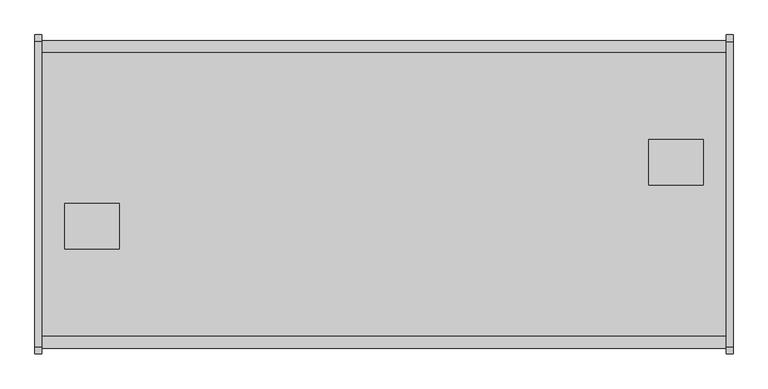
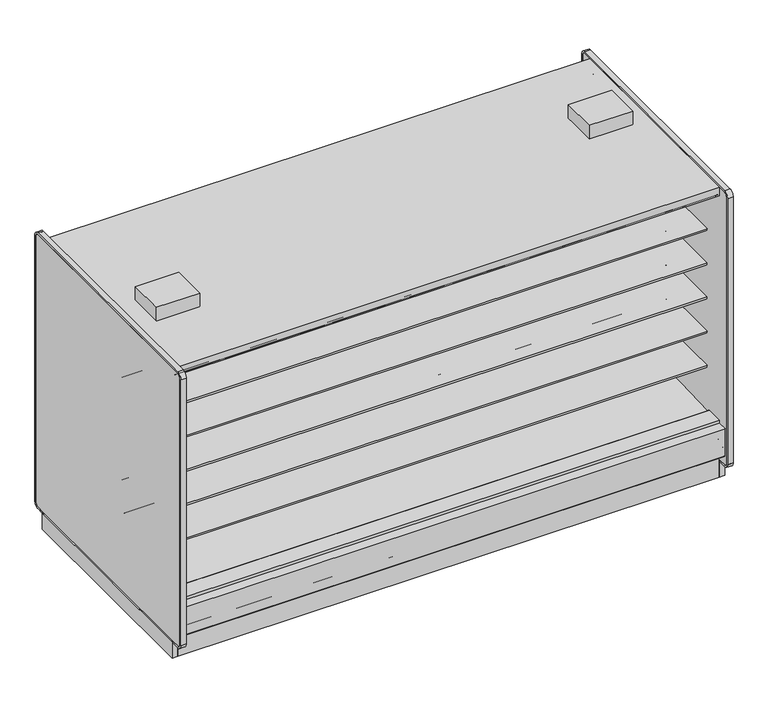
"""IFC4 building model written with IfcOpenShell, lengths in millimetres: proxy geometry."""

from ifc_helpers import new_model, si_unit, point, frame, frame_2d, origin, origin_with_axes, place, context, project, spatial, polyline, circle_curve, trimmed, segment, composite_curve, outline, extrude, faceted_brep, source, transform, mapped, element, save
from ifc_brep_helpers import plane_surface, revolved_surface, advanced_brep


def mechanical_equipment_86ca2763(model_context):
    return source(origin(), model_context, "Body", "SolidModel", [
        extrude(outline(polyline([(0.0, -76.1999999), (0.0, 0.0), (3810.0, 0.0), (3810.0, -76.1999999), (0.0, -76.1999999)])), frame((3810.0, -1111.3633008, 2065.3671599), z_axis=(0.0, 0.08686991344751496, 0.9962196635971514), x_axis=(-1.0, 0.0, 0.0)), (0.0, 0.0, 1.0), 13.3555803),
        extrude(outline(polyline([(0.0, -76.2), (0.0, 0.0), (3810.0, 0.0), (3810.0, -76.2), (0.0, -76.2)])), frame((3810.0, 288.8472236, 2059.4611282), z_axis=(0.0, -0.086869913447515, 0.9962196635971514), x_axis=(-1.0, 0.0, 0.0)), (0.0, 0.0, 1.0), 13.3555803),
        extrude(outline(polyline([(-38.1, -1158.0606273), (-38.1, 424.3593727), (0.0, 424.3593727), (0.0, -1158.0606273), (-38.1, -1158.0606273)])), origin_with_axes(), (0.0, 0.0, 1.0), 117.8306),
        extrude(outline(composite_curve([segment(polyline([(-292.5492106, 428.2688536), (291.885082, 406.4402197), (291.885082, 424.9364317)]), True, "CONTINUOUS"), segment(trimmed(circle_curve(frame_2d((293.942482, 424.9364317)), 2.0574), [point((291.885082, 424.9364317))], [point((293.942482, 426.9938317))], False, "CARTESIAN"), True, "CONTINUOUS"), segment(polyline([(293.942482, 426.9938317), (416.0514424, 426.9938317), (416.0514424, 284.5082843), (302.7767261, 189.4595117), (287.2311894, 190.0023738), (241.8789947, 157.1934642), (177.3766842, 159.4459345), (137.2934582, 192.9404113), (-344.0537782, 221.8688632), (-344.0537782, 428.2688536), (-292.5492106, 428.2688536)]), True, "CONTINUOUS")], self_intersect=False)), frame((0.0, 0.0, 0.0), z_axis=(1.0, 0.0, 0.0), x_axis=(0.0, 1.0, 0.0)), (0.0, 0.0, 1.0), 3810.0),
        extrude(outline(polyline([(392.5474807, -0.0519335), (392.5474807, 194.123201), (411.5974807, 210.1080489), (411.5974807, -0.0519335), (392.5474807, -0.0519335)])), frame((0.0, 0.0, 0.0), z_axis=(1.0, 0.0, 0.0), x_axis=(0.0, 1.0, 0.0)), (0.0, 0.0, 1.0), 3810.0),
        extrude(outline(polyline([(-1139.0106273, 0.0), (-1158.0606273, 0.0), (-1158.0606273, 210.1599825), (-1139.0106273, 194.1751345), (-1139.0106273, 0.0)])), frame((0.0, 0.0, 0.0), z_axis=(1.0, 0.0, 0.0), x_axis=(0.0, 1.0, 0.0)), (0.0, 0.0, 1.0), 3810.0),
        extrude(outline(polyline([(431.8, -424.0006273), (431.8, -678.0006273), (127.0, -678.0006273), (127.0, -424.0006273), (431.8, -424.0006273)])), frame((0.0, 0.0, 2159.2248848), z_axis=(0.0, 0.0, 1.0), x_axis=(1.0, 0.0, 0.0)), (0.0, 0.0, 1.0), 101.6),
        extrude(outline(polyline([(3378.2, -322.4006273), (3378.2, -68.4006273), (3683.0, -68.4006273), (3683.0, -322.4006273), (3378.2, -322.4006273)])), frame((0.0, 0.0, 2159.2248848), z_axis=(0.0, 0.0, 1.0), x_axis=(1.0, 0.0, 0.0)), (0.0, 0.0, 1.0), 101.6),
        extrude(outline(polyline([(3848.1, 424.3593727), (3848.1, -1158.0606273), (3810.0, -1158.0606273), (3810.0, 424.3593727), (3848.1, 424.3593727)])), origin_with_axes(), (0.0, 0.0, 1.0), 117.8306),
        extrude(outline(composite_curve([segment(polyline([(-292.5492106, 1659.986997), (-292.5492106, 1760.7972725), (266.2507894, 1760.7972725), (266.2507894, 1747.3035225), (145.7947875, 1747.3035225), (145.7947875, 1743.0191961), (-193.6128858, 1710.408706)]), True, "CONTINUOUS"), segment(trimmed(circle_curve(frame_2d((-186.7598764, 1647.2795822)), 63.5), [point((-193.6128858, 1710.408706))], [point((-226.8243495, 1696.545067))], True, "CARTESIAN"), True, "CONTINUOUS"), segment(polyline([(-226.8243495, 1696.545067), (-265.0460501, 1665.4617985)]), True, "CONTINUOUS"), segment(trimmed(circle_curve(frame_2d((-280.9533727, 1684.8267077)), 25.0607786), [point((-265.0460501, 1665.4617985))], [point((-281.4413184, 1659.7706798))], False, "CARTESIAN"), True, "CONTINUOUS"), segment(polyline([(-281.4413184, 1659.7706798), (-292.5492106, 1659.986997)]), True, "CONTINUOUS")], self_intersect=False)), frame((0.0, 0.0, 0.0), z_axis=(1.0, 0.0, 0.0), x_axis=(0.0, 1.0, 0.0)), (0.0, 0.0, 1.0), 3810.0),
        extrude(outline(composite_curve([segment(polyline([(-292.5492106, 643.986997), (-292.5492106, 744.7972725), (266.2507894, 744.7972725), (266.2507894, 731.3035225), (145.7947875, 731.3035225), (145.7947875, 727.0191961), (-193.6128858, 694.408706)]), True, "CONTINUOUS"), segment(trimmed(circle_curve(frame_2d((-186.7598764, 631.2795822)), 63.5), [point((-193.6128858, 694.408706))], [point((-226.8243495, 680.545067))], True, "CARTESIAN"), True, "CONTINUOUS"), segment(polyline([(-226.8243495, 680.545067), (-265.0460501, 649.4617985)]), True, "CONTINUOUS"), segment(trimmed(circle_curve(frame_2d((-280.9533727, 668.8267077)), 25.0607786), [point((-265.0460501, 649.4617985))], [point((-281.4413184, 643.7706798))], False, "CARTESIAN"), True, "CONTINUOUS"), segment(polyline([(-281.4413184, 643.7706798), (-292.5492106, 643.986997)]), True, "CONTINUOUS")], self_intersect=False)), frame((0.0, 0.0, 0.0), z_axis=(1.0, 0.0, 0.0), x_axis=(0.0, 1.0, 0.0)), (0.0, 0.0, 1.0), 3810.0),
        extrude(outline(composite_curve([segment(polyline([(-292.5492106, 897.986997), (-292.5492106, 998.7972725), (266.2507894, 998.7972725), (266.2507894, 985.3035225), (145.7947875, 985.3035225), (145.7947875, 981.0191961), (-193.6128858, 948.408706)]), True, "CONTINUOUS"), segment(trimmed(circle_curve(frame_2d((-186.7598764, 885.2795822)), 63.5), [point((-193.6128858, 948.408706))], [point((-226.8243495, 934.545067))], True, "CARTESIAN"), True, "CONTINUOUS"), segment(polyline([(-226.8243495, 934.545067), (-265.0460501, 903.4617985)]), True, "CONTINUOUS"), segment(trimmed(circle_curve(frame_2d((-280.9533727, 922.8267077)), 25.0607786), [point((-265.0460501, 903.4617985))], [point((-281.4413184, 897.7706798))], False, "CARTESIAN"), True, "CONTINUOUS"), segment(polyline([(-281.4413184, 897.7706798), (-292.5492106, 897.986997)]), True, "CONTINUOUS")], self_intersect=False)), frame((0.0, 0.0, 0.0), z_axis=(1.0, 0.0, 0.0), x_axis=(0.0, 1.0, 0.0)), (0.0, 0.0, 1.0), 3810.0),
        extrude(outline(composite_curve([segment(polyline([(-292.5492106, 1151.986997), (-292.5492106, 1252.7972725), (266.2507894, 1252.7972725), (266.2507894, 1239.3035225), (145.7947875, 1239.3035225), (145.7947875, 1235.0191961), (-193.6128858, 1202.408706)]), True, "CONTINUOUS"), segment(trimmed(circle_curve(frame_2d((-186.7598764, 1139.2795822)), 63.5), [point((-193.6128858, 1202.408706))], [point((-226.8243495, 1188.545067))], True, "CARTESIAN"), True, "CONTINUOUS"), segment(polyline([(-226.8243495, 1188.545067), (-265.0460501, 1157.4617985)]), True, "CONTINUOUS"), segment(trimmed(circle_curve(frame_2d((-280.9533727, 1176.8267077)), 25.0607786), [point((-265.0460501, 1157.4617985))], [point((-281.4413184, 1151.7706798))], False, "CARTESIAN"), True, "CONTINUOUS"), segment(polyline([(-281.4413184, 1151.7706798), (-292.5492106, 1151.986997)]), True, "CONTINUOUS")], self_intersect=False)), frame((0.0, 0.0, 0.0), z_axis=(1.0, 0.0, 0.0), x_axis=(0.0, 1.0, 0.0)), (0.0, 0.0, 1.0), 3810.0),
        extrude(outline(composite_curve([segment(polyline([(-292.5492106, 1405.986997), (-292.5492106, 1506.7972725), (266.2507894, 1506.7972725), (266.2507894, 1493.3035225), (145.7947875, 1493.3035225), (145.7947875, 1489.0191961), (-193.6128858, 1456.408706)]), True, "CONTINUOUS"), segment(trimmed(circle_curve(frame_2d((-186.7598764, 1393.2795822)), 63.5), [point((-193.6128858, 1456.408706))], [point((-226.8243495, 1442.545067))], True, "CARTESIAN"), True, "CONTINUOUS"), segment(polyline([(-226.8243495, 1442.545067), (-265.0460501, 1411.4617985)]), True, "CONTINUOUS"), segment(trimmed(circle_curve(frame_2d((-280.9533727, 1430.8267077)), 25.0607786), [point((-265.0460501, 1411.4617985))], [point((-281.4413184, 1405.7706798))], False, "CARTESIAN"), True, "CONTINUOUS"), segment(polyline([(-281.4413184, 1405.7706798), (-292.5492106, 1405.986997)]), True, "CONTINUOUS")], self_intersect=False)), frame((0.0, 0.0, 0.0), z_axis=(1.0, 0.0, 0.0), x_axis=(0.0, 1.0, 0.0)), (0.0, 0.0, 1.0), 3810.0),
        extrude(outline(composite_curve([segment(polyline([(-94.7483469, 2070.6501297), (-292.5492106, 2070.6501297), (-292.5492106, 428.2688536), (-344.0537782, 428.2688536), (-344.0537782, 2096.4201079), (398.3751091, 2096.4201079), (398.3751091, 2092.4645258)]), True, "CONTINUOUS"), segment(trimmed(circle_curve(frame_2d((395.8351091, 2092.4645258)), 2.54), [point((398.3751091, 2092.4645258))], [point((395.8351091, 2089.9245258))], False, "CARTESIAN"), True, "CONTINUOUS"), segment(polyline([(395.8351091, 2089.9245258), (381.1085354, 2089.9245258)]), True, "CONTINUOUS"), segment(trimmed(circle_curve(frame_2d((381.1085354, 2087.3845258)), 2.54), [point((381.1085354, 2089.9245258))], [point((378.5685354, 2087.3845258))], True, "CARTESIAN"), True, "CONTINUOUS"), segment(polyline([(378.5685354, 2087.3845258), (378.5685354, 2074.4415989)]), True, "CONTINUOUS"), segment(trimmed(circle_curve(frame_2d((376.0285354, 2074.4415989)), 2.54), [point((378.5685354, 2074.4415989))], [point((376.0285354, 2071.9015989))], False, "CARTESIAN"), True, "CONTINUOUS"), segment(polyline([(376.0285354, 2071.9015989), (367.3424655, 2071.9015989)]), True, "CONTINUOUS"), segment(trimmed(circle_curve(frame_2d((367.3424655, 2074.4415989)), 2.54), [point((367.3424655, 2071.9015989))], [point((364.8024655, 2074.4415989))], False, "CARTESIAN"), True, "CONTINUOUS"), segment(polyline([(364.8024655, 2074.4415989), (364.8024655, 2080.1715419), (286.911575, 2073.3794907), (286.9575805, 2070.6501297), (-94.7483469, 2070.6501297)]), True, "CONTINUOUS")], self_intersect=False)), frame((0.0, 0.0, 0.0), z_axis=(1.0, 0.0, 0.0), x_axis=(0.0, 1.0, 0.0)), (0.0, 0.0, 1.0), 3810.0),
        extrude(outline(composite_curve([segment(polyline([(-453.852044, 1659.1586039), (-464.9599362, 1658.9422868)]), True, "CONTINUOUS"), segment(trimmed(circle_curve(frame_2d((-465.4478819, 1683.9983146)), 25.0607786), [point((-464.9599362, 1658.9422868))], [point((-481.3552045, 1664.6334054))], False, "CARTESIAN"), True, "CONTINUOUS"), segment(polyline([(-481.3552045, 1664.6334054), (-519.5769051, 1695.716674)]), True, "CONTINUOUS"), segment(trimmed(circle_curve(frame_2d((-559.6413782, 1646.4511892)), 63.5), [point((-519.5769051, 1695.716674))], [point((-552.7883688, 1709.5803129))], True, "CARTESIAN"), True, "CONTINUOUS"), segment(polyline([(-552.7883688, 1709.5803129), (-892.1960421, 1742.190803), (-892.1960421, 1746.4751294), (-1012.652044, 1746.4751294), (-1012.652044, 1759.9688794), (-453.852044, 1759.9688794), (-453.852044, 1659.1586039)]), True, "CONTINUOUS")], self_intersect=False)), frame((0.0, 0.0, 0.0), z_axis=(1.0, 0.0, 0.0), x_axis=(0.0, 1.0, 0.0)), (0.0, 0.0, 1.0), 3810.0),
        extrude(outline(composite_curve([segment(polyline([(-453.852044, 643.1586039), (-464.9599362, 642.9422868)]), True, "CONTINUOUS"), segment(trimmed(circle_curve(frame_2d((-465.4478819, 667.9983146)), 25.0607786), [point((-464.9599362, 642.9422868))], [point((-481.3552045, 648.6334054))], False, "CARTESIAN"), True, "CONTINUOUS"), segment(polyline([(-481.3552045, 648.6334054), (-519.5769051, 679.716674)]), True, "CONTINUOUS"), segment(trimmed(circle_curve(frame_2d((-559.6413782, 630.4511892)), 63.5), [point((-519.5769051, 679.716674))], [point((-552.7883688, 693.5803129))], True, "CARTESIAN"), True, "CONTINUOUS"), segment(polyline([(-552.7883688, 693.5803129), (-892.1960421, 726.190803), (-892.1960421, 730.4751294), (-1012.652044, 730.4751294), (-1012.652044, 743.9688794), (-453.852044, 743.9688794), (-453.852044, 643.1586039)]), True, "CONTINUOUS")], self_intersect=False)), frame((0.0, 0.0, 0.0), z_axis=(1.0, 0.0, 0.0), x_axis=(0.0, 1.0, 0.0)), (0.0, 0.0, 1.0), 3810.0),
        extrude(outline(composite_curve([segment(polyline([(-453.852044, 897.1586039), (-464.9599362, 896.9422868)]), True, "CONTINUOUS"), segment(trimmed(circle_curve(frame_2d((-465.4478819, 921.9983146)), 25.0607786), [point((-464.9599362, 896.9422868))], [point((-481.3552045, 902.6334054))], False, "CARTESIAN"), True, "CONTINUOUS"), segment(polyline([(-481.3552045, 902.6334054), (-519.5769051, 933.716674)]), True, "CONTINUOUS"), segment(trimmed(circle_curve(frame_2d((-559.6413782, 884.4511892)), 63.5), [point((-519.5769051, 933.716674))], [point((-552.7883688, 947.5803129))], True, "CARTESIAN"), True, "CONTINUOUS"), segment(polyline([(-552.7883688, 947.5803129), (-892.1960421, 980.190803), (-892.1960421, 984.4751294), (-1012.652044, 984.4751294), (-1012.652044, 997.9688794), (-453.852044, 997.9688794), (-453.852044, 897.1586039)]), True, "CONTINUOUS")], self_intersect=False)), frame((0.0, 0.0, 0.0), z_axis=(1.0, 0.0, 0.0), x_axis=(0.0, 1.0, 0.0)), (0.0, 0.0, 1.0), 3810.0),
        extrude(outline(composite_curve([segment(polyline([(-453.852044, 1151.1586039), (-464.9599362, 1150.9422868)]), True, "CONTINUOUS"), segment(trimmed(circle_curve(frame_2d((-465.4478819, 1175.9983146)), 25.0607786), [point((-464.9599362, 1150.9422868))], [point((-481.3552045, 1156.6334054))], False, "CARTESIAN"), True, "CONTINUOUS"), segment(polyline([(-481.3552045, 1156.6334054), (-519.5769051, 1187.716674)]), True, "CONTINUOUS"), segment(trimmed(circle_curve(frame_2d((-559.6413782, 1138.4511892)), 63.5), [point((-519.5769051, 1187.716674))], [point((-552.7883688, 1201.5803129))], True, "CARTESIAN"), True, "CONTINUOUS"), segment(polyline([(-552.7883688, 1201.5803129), (-892.1960421, 1234.190803), (-892.1960421, 1238.4751294), (-1012.652044, 1238.4751294), (-1012.652044, 1251.9688794), (-453.852044, 1251.9688794), (-453.852044, 1151.1586039)]), True, "CONTINUOUS")], self_intersect=False)), frame((0.0, 0.0, 0.0), z_axis=(1.0, 0.0, 0.0), x_axis=(0.0, 1.0, 0.0)), (0.0, 0.0, 1.0), 3810.0),
        extrude(outline(composite_curve([segment(polyline([(-453.852044, 1405.1586039), (-464.9599362, 1404.9422868)]), True, "CONTINUOUS"), segment(trimmed(circle_curve(frame_2d((-465.4478819, 1429.9983146)), 25.0607786), [point((-464.9599362, 1404.9422868))], [point((-481.3552045, 1410.6334054))], False, "CARTESIAN"), True, "CONTINUOUS"), segment(polyline([(-481.3552045, 1410.6334054), (-519.5769051, 1441.716674)]), True, "CONTINUOUS"), segment(trimmed(circle_curve(frame_2d((-559.6413782, 1392.4511892)), 63.5), [point((-519.5769051, 1441.716674))], [point((-552.7883688, 1455.5803129))], True, "CARTESIAN"), True, "CONTINUOUS"), segment(polyline([(-552.7883688, 1455.5803129), (-892.1960421, 1488.190803), (-892.1960421, 1492.4751294), (-1012.652044, 1492.4751294), (-1012.652044, 1505.9688794), (-453.852044, 1505.9688794), (-453.852044, 1405.1586039)]), True, "CONTINUOUS")], self_intersect=False)), frame((0.0, 0.0, 0.0), z_axis=(1.0, 0.0, 0.0), x_axis=(0.0, 1.0, 0.0)), (0.0, 0.0, 1.0), 3810.0),
        extrude(outline(composite_curve([segment(trimmed(circle_curve(frame_2d((-1224.1006273, 201.3982889)), 6.35), [point((-1220.9264382, 195.8985595))], [point((-1230.4506273, 201.3982889))], False, "CARTESIAN"), True, "CONTINUOUS"), segment(polyline([(-1230.4506273, 201.3982889), (-1230.4506273, 404.6728), (-1162.452697, 404.6728), (-1162.452697, 391.9982), (-1213.6612273, 391.9982), (-1213.6612273, 256.8144254), (-1173.6099725, 223.2074323), (-1220.9264382, 195.8985595)]), True, "CONTINUOUS")], self_intersect=False)), frame((0.0, 0.0, 0.0), z_axis=(1.0, 0.0, 0.0), x_axis=(0.0, 1.0, 0.0)), (0.0, 0.0, 1.0), 3810.0),
        extrude(outline(composite_curve([segment(polyline([(474.5251836, 195.8985595), (427.2087179, 223.2074323), (467.2599727, 256.8144254), (467.2599727, 391.9982), (416.0514424, 391.9982), (416.0514424, 404.6728), (484.0493727, 404.6728), (484.0493727, 201.3982889)]), True, "CONTINUOUS"), segment(trimmed(circle_curve(frame_2d((477.6993727, 201.3982889)), 6.35), [point((484.0493727, 201.3982889))], [point((474.5251836, 195.8985595))], False, "CARTESIAN"), True, "CONTINUOUS")], self_intersect=False)), frame((0.0, 0.0, 0.0), z_axis=(1.0, 0.0, 0.0), x_axis=(0.0, 1.0, 0.0)), (0.0, 0.0, 1.0), 3810.0),
        extrude(outline(polyline([(-1063.1620247, 130.5306), (-1213.6612273, 256.8144254), (-1213.6612273, 391.9982), (-1162.452697, 391.9982), (-1162.452697, 284.5082843), (-1049.1779807, 189.4595117), (-1033.632444, 190.0023738), (-988.2802493, 157.1934642), (-923.7779388, 159.4459345), (-883.6947128, 192.9404113), (-402.3474764, 221.8688632), (-402.3474764, 2096.4201079), (-1162.452697, 2096.4201079), (-1162.452697, 2159.0), (416.0514424, 2159.0), (416.0514424, 2096.4201079), (-344.0537782, 2096.4201079), (-344.0537782, 221.8688632), (137.2934582, 192.9404113), (177.3766842, 159.4459345), (241.8789947, 157.1934642), (287.2311894, 190.0023738), (302.7767261, 189.4595117), (416.0514424, 284.5082843), (416.0514424, 391.9982), (467.2599727, 391.9982), (467.2599727, 256.8144254), (316.7607701, 130.5306), (-1063.1620247, 130.5306)])), frame((0.0, 0.0, 0.0), z_axis=(1.0, 0.0, 0.0), x_axis=(0.0, 1.0, 0.0)), (0.0, 0.0, 1.0), 3810.0),
        extrude(outline(composite_curve([segment(polyline([(-639.2465773, 2071.0201079), (-1033.3525988, 2071.0201079), (-1033.3128296, 2073.3794907), (-1111.2037201, 2080.1715419), (-1111.2037201, 2074.4415989)]), True, "CONTINUOUS"), segment(trimmed(circle_curve(frame_2d((-1113.7437201, 2074.4415989)), 2.54), [point((-1111.2037201, 2074.4415989))], [point((-1113.7437201, 2071.9015989))], False, "CARTESIAN"), True, "CONTINUOUS"), segment(polyline([(-1113.7437201, 2071.9015989), (-1122.42979, 2071.9015989)]), True, "CONTINUOUS"), segment(trimmed(circle_curve(frame_2d((-1122.42979, 2074.4415989)), 2.54), [point((-1122.42979, 2071.9015989))], [point((-1124.96979, 2074.4415989))], False, "CARTESIAN"), True, "CONTINUOUS"), segment(polyline([(-1124.96979, 2074.4415989), (-1124.96979, 2087.3845258)]), True, "CONTINUOUS"), segment(trimmed(circle_curve(frame_2d((-1127.50979, 2087.3845258)), 2.54), [point((-1124.96979, 2087.3845258))], [point((-1127.50979, 2089.9245258))], True, "CARTESIAN"), True, "CONTINUOUS"), segment(polyline([(-1127.50979, 2089.9245258), (-1142.2363637, 2089.9245258)]), True, "CONTINUOUS"), segment(trimmed(circle_curve(frame_2d((-1142.2363637, 2092.4645258)), 2.54), [point((-1142.2363637, 2089.9245258))], [point((-1144.7763637, 2092.4645258))], False, "CARTESIAN"), True, "CONTINUOUS"), segment(polyline([(-1144.7763637, 2092.4645258), (-1144.7763637, 2096.4201079), (-402.3474764, 2096.4201079), (-402.3474764, 428.2688536), (-453.852044, 428.2688536), (-453.852044, 2071.0201079), (-639.2465773, 2071.0201079)]), True, "CONTINUOUS")], self_intersect=False)), frame((0.0, 0.0, 0.0), z_axis=(1.0, 0.0, 0.0), x_axis=(0.0, 1.0, 0.0)), (0.0, 0.0, 1.0), 3810.0),
        extrude(outline(polyline([(0.0, 424.3593727), (0.0, -1139.0106273), (-38.1, -1139.0106273), (-38.1, 424.3593727), (0.0, 424.3593727)])), origin_with_axes(), (0.0, 0.0, 1.0), 117.8306),
        advanced_brep(
        [(3810.0, -995.5006273, 0.0), (3810.0, -918.6839153, 0.0), (3810.0, -918.6839153, 74.8810382), (3810.0, 173.3438727, 74.8810382), (3810.0, 173.3438727, 0.0), (3810.0, 220.8672286, 0.0), (3810.0, 220.8672286, 130.5306), (3810.0, -995.5006273, 130.5306), (0.0, -995.5006273, 0.0), (0.0, -995.5006273, 130.5306), (0.0, 220.8672286, 130.5306), (0.0, 220.8672286, 0.0), (0.0, 173.3438727, 0.0), (0.0, 173.3438727, 74.8810382), (0.0, -918.6839153, 74.8810382), (0.0, -918.6839153, 0.0), (1857.3826367, -918.6839153, 0.0), (1854.2, -936.3821273, 0.0), (1955.8, -936.3821273, 0.0), (1952.6173633, -918.6839153, 0.0), (3543.0239057, -918.6839153, 0.0), (3538.5375, -939.5571273, 0.0), (3640.1375, -939.5571273, 0.0), (3635.6510943, -918.6839153, 0.0), (3635.6510943, -918.6839153, 74.8810382), (1857.3826367, -918.6839153, 74.8810382), (1952.6173633, -918.6839153, 74.8810382), (3543.0239057, -918.6839153, 74.8810382), (173.8851053, 173.3438727, 74.8810382), (267.4398947, 173.3438727, 74.8810382), (1857.0015601, 173.3438727, 74.8810382), (1952.9984399, 173.3438727, 74.8810382), (1854.2, -936.3821273, 127.0), (1955.8, -936.3821273, 127.0), (3538.5375, -939.5571273, 127.0), (3640.1375, -939.5571273, 127.0), (1952.9984399, 173.3438727, 0.0), (173.8851053, 173.3438727, 0.0), (267.4398947, 173.3438727, 0.0), (1857.0015601, 173.3438727, 0.0), (1955.8, 189.9808727, 0.0), (1945.3320346, 220.8672286, 0.0), (178.0864416, 220.8672286, 0.0), (169.8625, 193.1558727, 0.0), (271.4625, 193.1558727, 0.0), (263.2385584, 220.8672286, 0.0), (1864.6679654, 220.8672286, 0.0), (1854.2, 189.9808727, 0.0), (1945.3320346, 220.8672286, 127.0), (1864.6679654, 220.8672286, 127.0), (263.2385584, 220.8672286, 127.0), (178.0864416, 220.8672286, 127.0), (271.4625, 193.1558727, 127.0), (169.8625, 193.1558727, 127.0), (1955.8, 189.9808727, 127.0), (1854.2, 189.9808727, 127.0)],
        [
            (0, 1),
            (1, 2),
            (2, 3),
            (3, 4),
            (4, 5),
            (5, 6),
            (6, 7),
            (7, 0),
            (8, 9),
            (9, 10),
            (10, 11),
            (11, 12),
            (12, 13),
            (13, 14),
            (14, 15),
            (15, 8),
            (6, 10),
            (9, 7),
            (8, 0),
            (15, 16),
            (16, 17, circle_curve(frame((1905.0, -936.3821273, 0.0), z_axis=(0.0, 0.0, 1.0), x_axis=(1.0, 0.0, 0.0)), 50.8)),
            (17, 18, circle_curve(frame((1905.0, -936.3821273, 0.0), z_axis=(0.0, 0.0, 1.0), x_axis=(1.0, 0.0, 0.0)), 50.8)),
            (18, 19, circle_curve(frame((1905.0, -936.3821273, 0.0), z_axis=(0.0, 0.0, 1.0), x_axis=(1.0, 0.0, 0.0)), 50.8)),
            (19, 20),
            (20, 21, circle_curve(frame((3589.3375, -939.5571273, 0.0), z_axis=(0.0, 0.0, 1.0), x_axis=(1.0, 0.0, 0.0)), 50.8)),
            (21, 22, circle_curve(frame((3589.3375, -939.5571273, 0.0), z_axis=(0.0, 0.0, 1.0), x_axis=(1.0, 0.0, 0.0)), 50.8)),
            (22, 23, circle_curve(frame((3589.3375, -939.5571273, 0.0), z_axis=(0.0, 0.0, 1.0), x_axis=(1.0, 0.0, 0.0)), 50.8)),
            (23, 1),
            (23, 24),
            (24, 2),
            (14, 25),
            (25, 16),
            (19, 26),
            (26, 27),
            (27, 20),
            (24, 27, circle_curve(frame((3589.3375, -939.5571273, 74.8810382), z_axis=(0.0, 0.0, 1.0), x_axis=(1.0, 0.0, 0.0)), 50.8)),
            (26, 25, circle_curve(frame((1905.0, -936.3821273, 74.8810382), z_axis=(0.0, 0.0, 1.0), x_axis=(1.0, 0.0, 0.0)), 50.8)),
            (13, 28),
            (28, 29, circle_curve(frame((220.6625, 193.1558727, 74.8810382), z_axis=(0.0, 0.0, 1.0), x_axis=(-1.0, 0.0, 0.0)), 50.8)),
            (29, 30),
            (30, 31, circle_curve(frame((1905.0, 189.9808727, 74.8810382), z_axis=(0.0, 0.0, 1.0), x_axis=(1.0, 0.0, 0.0)), 50.8)),
            (31, 3),
            (32, 33, circle_curve(frame((1905.0, -936.3821273, 127.0), z_axis=(0.0, 0.0, -1.0), x_axis=(1.0, 0.0, 0.0)), 50.8)),
            (33, 32, circle_curve(frame((1905.0, -936.3821273, 127.0), z_axis=(0.0, 0.0, -1.0), x_axis=(1.0, 0.0, 0.0)), 50.8)),
            (33, 18),
            (17, 32),
            (34, 35, circle_curve(frame((3589.3375, -939.5571273, 127.0), z_axis=(0.0, 0.0, -1.0), x_axis=(1.0, 0.0, 0.0)), 50.8)),
            (35, 34, circle_curve(frame((3589.3375, -939.5571273, 127.0), z_axis=(0.0, 0.0, -1.0), x_axis=(1.0, 0.0, 0.0)), 50.8)),
            (35, 22),
            (21, 34),
            (31, 36),
            (36, 4),
            (12, 37),
            (37, 28),
            (29, 38),
            (38, 39),
            (39, 30),
            (36, 40, circle_curve(frame((1905.0, 189.9808727, 0.0), z_axis=(0.0, 0.0, 1.0), x_axis=(1.0, 0.0, 0.0)), 50.8)),
            (40, 41, circle_curve(frame((1905.0, 189.9808727, 0.0), z_axis=(0.0, 0.0, 1.0), x_axis=(1.0, 0.0, 0.0)), 50.8)),
            (41, 5),
            (11, 42),
            (42, 43, circle_curve(frame((220.6625, 193.1558727, 0.0), z_axis=(0.0, 0.0, 1.0), x_axis=(-1.0, 0.0, 0.0)), 50.8)),
            (43, 37, circle_curve(frame((220.6625, 193.1558727, 0.0), z_axis=(0.0, 0.0, 1.0), x_axis=(-1.0, 0.0, 0.0)), 50.8)),
            (44, 45, circle_curve(frame((220.6625, 193.1558727, 0.0), z_axis=(0.0, 0.0, 1.0), x_axis=(-1.0, 0.0, 0.0)), 50.8)),
            (45, 46),
            (46, 47, circle_curve(frame((1905.0, 189.9808727, 0.0), z_axis=(0.0, 0.0, 1.0), x_axis=(1.0, 0.0, 0.0)), 50.8)),
            (47, 39, circle_curve(frame((1905.0, 189.9808727, 0.0), z_axis=(0.0, 0.0, 1.0), x_axis=(1.0, 0.0, 0.0)), 50.8)),
            (38, 44, circle_curve(frame((220.6625, 193.1558727, 0.0), z_axis=(0.0, 0.0, 1.0), x_axis=(-1.0, 0.0, 0.0)), 50.8)),
            (41, 48),
            (48, 49),
            (49, 46),
            (45, 50),
            (50, 51),
            (51, 42),
            (52, 53, circle_curve(frame((220.6625, 193.1558727, 127.0), z_axis=(0.0, 0.0, -1.0), x_axis=(-1.0, 0.0, 0.0)), 50.8)),
            (53, 51, circle_curve(frame((220.6625, 193.1558727, 127.0), z_axis=(0.0, 0.0, -1.0), x_axis=(-1.0, 0.0, 0.0)), 50.8)),
            (50, 52, circle_curve(frame((220.6625, 193.1558727, 127.0), z_axis=(0.0, 0.0, -1.0), x_axis=(-1.0, 0.0, 0.0)), 50.8)),
            (44, 52),
            (53, 43),
            (54, 55, circle_curve(frame((1905.0, 189.9808727, 127.0), z_axis=(0.0, 0.0, -1.0), x_axis=(1.0, 0.0, 0.0)), 50.8)),
            (55, 49, circle_curve(frame((1905.0, 189.9808727, 127.0), z_axis=(0.0, 0.0, -1.0), x_axis=(1.0, 0.0, 0.0)), 50.8)),
            (48, 54, circle_curve(frame((1905.0, 189.9808727, 127.0), z_axis=(0.0, 0.0, -1.0), x_axis=(1.0, 0.0, 0.0)), 50.8)),
            (40, 54),
            (55, 47),
        ],
        [
            plane_surface(frame((3810.0, -921.3326273, 0.0), z_axis=(1.0, 0.0, 0.0), x_axis=(0.0, 1.0, 0.0))),
            plane_surface(frame((0.0, -921.3326273, 0.0), z_axis=(-1.0, 0.0, 0.0), x_axis=(0.0, -1.0, 0.0))),
            plane_surface(frame((3810.0, 220.8672286, 130.5306), z_axis=(0.0, 0.0, 1.0), x_axis=(-1.0, 0.0, 0.0))),
            plane_surface(frame((3810.0, -995.5006273, 130.5306), z_axis=(0.0, -1.0, 0.0), x_axis=(-1.0, 0.0, 0.0))),
            plane_surface(frame((3810.0, -995.5006273, 0.0), z_axis=(0.0, 0.0, -1.0), x_axis=(-1.0, 0.0, 0.0))),
            plane_surface(frame((3810.0, -918.6839153, 0.0), z_axis=(0.0, 1.0, 0.0), x_axis=(-1.0, 0.0, 0.0))),
            plane_surface(frame((3810.0, -918.6839153, 74.8810382), z_axis=(0.0, 0.0, -1.0), x_axis=(-1.0, 0.0, 0.0))),
            plane_surface(frame((1955.8, -936.3821273, 127.0), z_axis=(0.0, 0.0, -1.0), x_axis=(0.0, 1.0, 0.0))),
            revolved_surface(polyline([(1955.8, -936.3821273, 127.0), (1955.8, -936.3821273, 0.0)]), (1905.0, -936.3821273, 0.0), (0.0, 0.0, 1.0)),
            plane_surface(frame((3640.1375, -939.5571273, 127.0), z_axis=(0.0, 0.0, -1.0), x_axis=(0.0, 1.0, 0.0))),
            revolved_surface(polyline([(3640.1375000000003, -939.5571273, 127.0), (3640.1375000000003, -939.5571273, 0.0)]), (3589.3375, -939.5571273, 0.0), (0.0, 0.0, 1.0)),
            plane_surface(frame((3810.0, 173.3438727, 74.8810382), z_axis=(0.0, -1.0, 0.0), x_axis=(-1.0, 0.0, 0.0))),
            plane_surface(frame((3810.0, 173.3438727, 0.0), z_axis=(0.0, 0.0, -1.0), x_axis=(-1.0, 0.0, 0.0))),
            plane_surface(frame((3810.0, 220.8672286, 0.0), z_axis=(0.0, 1.0, 0.0), x_axis=(-1.0, 0.0, 0.0))),
            plane_surface(frame((169.8625, 193.1558727, 127.0), z_axis=(0.0, 0.0, -1.0), x_axis=(0.0, -1.0, 0.0))),
            revolved_surface(polyline([(169.8625, 193.1558727, 127.0), (169.8625, 193.1558727, 0.0)]), (220.6625, 193.1558727, 0.0), (0.0, 0.0, 1.0)),
            plane_surface(frame((1955.8, 189.9808727, 127.0), z_axis=(0.0, 0.0, -1.0), x_axis=(0.0, 1.0, 0.0))),
            revolved_surface(polyline([(1955.8, 189.9808727, 127.0), (1955.8, 189.9808727, 0.0)]), (1905.0, 189.9808727, 0.0), (0.0, 0.0, 1.0)),
        ],
        [
            (0, [[1, 2, 3, 4, 5, 6, 7, 8]]),
            (1, [[9, 10, 11, 12, 13, 14, 15, 16]]),
            (2, [[-7, 17, -10, 18]]),
            (3, [[-8, -18, -9, 19]]),
            (4, [[-1, -19, -16, 20, 21, 22, 23, 24, 25, 26, 27, 28]]),
            (5, [[-2, -28, 29, 30]]),
            (5, [[-15, 31, 32, -20]]),
            (5, [[33, 34, 35, -24]]),
            (6, [[-3, -30, 36, -34, 37, -31, -14, 38, 39, 40, 41, 42]]),
            (7, [[43, 44]]),
            (8, [[-44, 45, -22, 46]]),
            (8, [[-43, -46, -21, -32, -37, -33, -23, -45]]),
            (9, [[47, 48]]),
            (10, [[-48, 49, -26, 50]]),
            (10, [[-47, -50, -25, -35, -36, -29, -27, -49]]),
            (11, [[-4, -42, 51, 52]]),
            (11, [[-13, 53, 54, -38]]),
            (11, [[55, 56, 57, -40]]),
            (12, [[-5, -52, 58, 59, 60]]),
            (12, [[-12, 61, 62, 63, -53]]),
            (12, [[64, 65, 66, 67, -56, 68]]),
            (13, [[-6, -60, 69, 70, 71, -65, 72, 73, 74, -61, -11, -17]]),
            (14, [[75, 76, -73, 77]]),
            (15, [[78, -77, -72, -64]]),
            (15, [[79, -62, -74, -76]]),
            (15, [[-75, -78, -68, -55, -39, -54, -63, -79]]),
            (16, [[80, 81, -70, 82]]),
            (17, [[83, -82, -69, -59]]),
            (17, [[84, -66, -71, -81]]),
            (17, [[-80, -83, -58, -51, -41, -57, -67, -84]]),
        ],
    ),
        extrude(outline(composite_curve([segment(polyline([(-453.852044, 428.2688536), (-402.3474764, 428.2688536), (-402.3474764, 221.8688632), (-883.6947128, 192.9404113), (-923.7779388, 159.4459345), (-988.2802493, 157.1934642), (-1033.632444, 190.0023738), (-1049.1779807, 189.4595117), (-1162.452697, 284.5082843), (-1162.452697, 426.9938317), (-1040.3437366, 426.9938317)]), True, "CONTINUOUS"), segment(trimmed(circle_curve(frame_2d((-1040.3437366, 424.9364317)), 2.0574), [point((-1040.3437366, 426.9938317))], [point((-1038.2863366, 424.9364317))], False, "CARTESIAN"), True, "CONTINUOUS"), segment(polyline([(-1038.2863366, 424.9364317), (-1038.2863366, 406.4402197), (-453.852044, 428.2688536)]), True, "CONTINUOUS")], self_intersect=False)), frame((0.0, 0.0, 0.0), z_axis=(1.0, 0.0, 0.0), x_axis=(0.0, 1.0, 0.0)), (0.0, 0.0, 1.0), 3810.0),
        extrude(outline(composite_curve([segment(polyline([(-1170.7606273, 117.8306), (-1224.093772, 117.8306)]), True, "CONTINUOUS"), segment(trimmed(circle_curve(frame_2d((-1224.093772, 155.9306)), 38.1), [point((-1224.093772, 117.8306))], [point((-1262.193772, 155.9306))], False, "CARTESIAN"), True, "CONTINUOUS"), segment(polyline([(-1262.193772, 155.9306), (-1262.193772, 2133.6)]), True, "CONTINUOUS"), segment(trimmed(circle_curve(frame_2d((-1224.093772, 2133.6)), 38.1), [point((-1262.193772, 2133.6))], [point((-1224.093772, 2171.7))], False, "CARTESIAN"), True, "CONTINUOUS"), segment(polyline([(-1224.093772, 2171.7), (477.6925174, 2171.7)]), True, "CONTINUOUS"), segment(trimmed(circle_curve(frame_2d((477.6925174, 2133.6)), 38.1), [point((477.6925174, 2171.7))], [point((515.7925174, 2133.6))], False, "CARTESIAN"), True, "CONTINUOUS"), segment(polyline([(515.7925174, 2133.6), (515.7925174, 155.9306)]), True, "CONTINUOUS"), segment(trimmed(circle_curve(frame_2d((477.6925174, 155.9306)), 38.1), [point((515.7925174, 155.9306))], [point((477.6925174, 117.8306))], False, "CARTESIAN"), True, "CONTINUOUS"), segment(polyline([(477.6925174, 117.8306), (424.3593727, 117.8306), (411.5974807, 117.8306), (411.5974807, 130.5306), (424.3593727, 130.5306), (477.6925174, 130.5306)]), True, "CONTINUOUS"), segment(trimmed(circle_curve(frame_2d((477.6925174, 155.9306)), 25.4), [point((477.6925174, 130.5306))], [point((503.0925174, 155.9306))], True, "CARTESIAN"), True, "CONTINUOUS"), segment(polyline([(503.0925174, 155.9306), (503.0925174, 2133.6)]), True, "CONTINUOUS"), segment(trimmed(circle_curve(frame_2d((477.6925174, 2133.6)), 25.4), [point((503.0925174, 2133.6))], [point((477.6925174, 2159.0))], True, "CARTESIAN"), True, "CONTINUOUS"), segment(polyline([(477.6925174, 2159.0), (-1224.093772, 2159.0)]), True, "CONTINUOUS"), segment(trimmed(circle_curve(frame_2d((-1224.093772, 2133.6)), 25.4), [point((-1224.093772, 2159.0))], [point((-1249.493772, 2133.6))], True, "CARTESIAN"), True, "CONTINUOUS"), segment(polyline([(-1249.493772, 2133.6), (-1249.493772, 155.9306)]), True, "CONTINUOUS"), segment(trimmed(circle_curve(frame_2d((-1224.093772, 155.9306)), 25.4), [point((-1249.493772, 155.9306))], [point((-1224.093772, 130.5306))], True, "CARTESIAN"), True, "CONTINUOUS"), segment(polyline([(-1224.093772, 130.5306), (-1170.7606273, 130.5306), (-1158.0606273, 130.5306), (-1158.0606273, 117.8306), (-1170.7606273, 117.8306)]), True, "CONTINUOUS")], self_intersect=False)), frame((3810.0, 0.0, 0.0), z_axis=(1.0, 0.0, 0.0), x_axis=(0.0, 1.0, 0.0)), (0.0, 0.0, 1.0), 38.1),
        extrude(outline(composite_curve([segment(polyline([(477.6925174, 130.5306), (-1224.093772, 130.5306)]), True, "CONTINUOUS"), segment(trimmed(circle_curve(frame_2d((-1224.093772, 155.9306)), 25.4), [point((-1224.093772, 130.5306))], [point((-1249.493772, 155.9306))], False, "CARTESIAN"), True, "CONTINUOUS"), segment(polyline([(-1249.493772, 155.9306), (-1249.493772, 2133.6)]), True, "CONTINUOUS"), segment(trimmed(circle_curve(frame_2d((-1224.093772, 2133.6)), 25.4), [point((-1249.493772, 2133.6))], [point((-1224.093772, 2159.0))], False, "CARTESIAN"), True, "CONTINUOUS"), segment(polyline([(-1224.093772, 2159.0), (477.6925174, 2159.0)]), True, "CONTINUOUS"), segment(trimmed(circle_curve(frame_2d((477.6925174, 2133.6)), 25.4), [point((477.6925174, 2159.0))], [point((503.0925174, 2133.6))], False, "CARTESIAN"), True, "CONTINUOUS"), segment(polyline([(503.0925174, 2133.6), (503.0925174, 155.9306)]), True, "CONTINUOUS"), segment(trimmed(circle_curve(frame_2d((477.6925174, 155.9306)), 25.4), [point((503.0925174, 155.9306))], [point((477.6925174, 130.5306))], False, "CARTESIAN"), True, "CONTINUOUS")], self_intersect=False)), frame((3810.0, 0.0, 0.0), z_axis=(1.0, 0.0, 0.0), x_axis=(0.0, 1.0, 0.0)), (0.0, 0.0, 1.0), 38.1),
        extrude(outline(composite_curve([segment(polyline([(-1224.093772, 2171.7), (477.6925174, 2171.7)]), True, "CONTINUOUS"), segment(trimmed(circle_curve(frame_2d((477.6925174, 2133.6)), 38.1), [point((477.6925174, 2171.7))], [point((515.7925174, 2133.6))], False, "CARTESIAN"), True, "CONTINUOUS"), segment(polyline([(515.7925174, 2133.6), (515.7925174, 155.9306)]), True, "CONTINUOUS"), segment(trimmed(circle_curve(frame_2d((477.6925174, 155.9306)), 38.1), [point((515.7925174, 155.9306))], [point((477.6925174, 117.8306))], False, "CARTESIAN"), True, "CONTINUOUS"), segment(polyline([(477.6925174, 117.8306), (424.3593727, 117.8306), (411.5974807, 117.8306), (411.5974807, 130.5306), (424.3593727, 130.5306), (477.6925174, 130.5306)]), True, "CONTINUOUS"), segment(trimmed(circle_curve(frame_2d((477.6925174, 155.9306)), 25.4), [point((477.6925174, 130.5306))], [point((503.0925174, 155.9306))], True, "CARTESIAN"), True, "CONTINUOUS"), segment(polyline([(503.0925174, 155.9306), (503.0925174, 2133.6)]), True, "CONTINUOUS"), segment(trimmed(circle_curve(frame_2d((477.6925174, 2133.6)), 25.4), [point((503.0925174, 2133.6))], [point((477.6925174, 2159.0))], True, "CARTESIAN"), True, "CONTINUOUS"), segment(polyline([(477.6925174, 2159.0), (-1224.093772, 2159.0)]), True, "CONTINUOUS"), segment(trimmed(circle_curve(frame_2d((-1224.093772, 2133.6)), 25.4), [point((-1224.093772, 2159.0))], [point((-1249.493772, 2133.6))], True, "CARTESIAN"), True, "CONTINUOUS"), segment(polyline([(-1249.493772, 2133.6), (-1249.493772, 155.9306)]), True, "CONTINUOUS"), segment(trimmed(circle_curve(frame_2d((-1224.093772, 155.9306)), 25.4), [point((-1249.493772, 155.9306))], [point((-1224.093772, 130.5306))], True, "CARTESIAN"), True, "CONTINUOUS"), segment(polyline([(-1224.093772, 130.5306), (-1170.7606273, 130.5306), (-1158.0606273, 130.5306), (-1158.0606273, 117.8306), (-1170.7606273, 117.8306), (-1224.093772, 117.8306)]), True, "CONTINUOUS"), segment(trimmed(circle_curve(frame_2d((-1224.093772, 155.9306)), 38.1), [point((-1224.093772, 117.8306))], [point((-1262.193772, 155.9306))], False, "CARTESIAN"), True, "CONTINUOUS"), segment(polyline([(-1262.193772, 155.9306), (-1262.193772, 2133.6)]), True, "CONTINUOUS"), segment(trimmed(circle_curve(frame_2d((-1224.093772, 2133.6)), 38.1), [point((-1262.193772, 2133.6))], [point((-1224.093772, 2171.7))], False, "CARTESIAN"), True, "CONTINUOUS")], self_intersect=False)), frame((-38.1, 0.0, 0.0), z_axis=(1.0, 0.0, 0.0), x_axis=(0.0, 1.0, 0.0)), (0.0, 0.0, 1.0), 38.1),
        extrude(outline(composite_curve([segment(polyline([(477.6925174, 130.5306), (-1224.093772, 130.5306)]), True, "CONTINUOUS"), segment(trimmed(circle_curve(frame_2d((-1224.093772, 155.9306)), 25.4), [point((-1224.093772, 130.5306))], [point((-1249.493772, 155.9306))], False, "CARTESIAN"), True, "CONTINUOUS"), segment(polyline([(-1249.493772, 155.9306), (-1249.493772, 2133.6)]), True, "CONTINUOUS"), segment(trimmed(circle_curve(frame_2d((-1224.093772, 2133.6)), 25.4), [point((-1249.493772, 2133.6))], [point((-1224.093772, 2159.0))], False, "CARTESIAN"), True, "CONTINUOUS"), segment(polyline([(-1224.093772, 2159.0), (477.6925174, 2159.0)]), True, "CONTINUOUS"), segment(trimmed(circle_curve(frame_2d((477.6925174, 2133.6)), 25.4), [point((477.6925174, 2159.0))], [point((503.0925174, 2133.6))], False, "CARTESIAN"), True, "CONTINUOUS"), segment(polyline([(503.0925174, 2133.6), (503.0925174, 155.9306)]), True, "CONTINUOUS"), segment(trimmed(circle_curve(frame_2d((477.6925174, 155.9306)), 25.4), [point((503.0925174, 155.9306))], [point((477.6925174, 130.5306))], False, "CARTESIAN"), True, "CONTINUOUS")], self_intersect=False)), frame((-38.1, 0.0, 0.0), z_axis=(1.0, 0.0, 0.0), x_axis=(0.0, 1.0, 0.0)), (0.0, 0.0, 1.0), 38.1),
        extrude(outline(composite_curve([segment(trimmed(circle_curve(frame_2d((1905.0, 189.9808727)), 38.1), [point((1866.9, 189.9808727))], [point((1943.1, 189.9808727))], False, "CARTESIAN"), True, "CONTINUOUS"), segment(trimmed(circle_curve(frame_2d((1905.0, 189.9808727)), 38.1), [point((1943.1, 189.9808727))], [point((1866.9, 189.9808727))], False, "CARTESIAN"), True, "CONTINUOUS")], self_intersect=False)), frame((0.0, 0.0, 61.2666507), z_axis=(0.0, 0.0, 1.0), x_axis=(1.0, 0.0, 0.0)), (0.0, 0.0, 1.0), 65.7333493),
        extrude(outline(composite_curve([segment(trimmed(circle_curve(frame_2d((1905.0, -936.3821273)), 38.1), [point((1866.9, -936.3821273))], [point((1943.1, -936.3821273))], False, "CARTESIAN"), True, "CONTINUOUS"), segment(trimmed(circle_curve(frame_2d((1905.0, -936.3821273)), 38.1), [point((1943.1, -936.3821273))], [point((1866.9, -936.3821273))], False, "CARTESIAN"), True, "CONTINUOUS")], self_intersect=False)), frame((0.0, 0.0, 61.2666507), z_axis=(0.0, 0.0, 1.0), x_axis=(1.0, 0.0, 0.0)), (0.0, 0.0, 1.0), 65.7333493),
        extrude(outline(composite_curve([segment(trimmed(circle_curve(frame_2d((242.6911047, 192.5203719)), 12.7), [point((229.9911047, 192.5203719))], [point((255.3911047, 192.5203719))], False, "CARTESIAN"), True, "CONTINUOUS"), segment(trimmed(circle_curve(frame_2d((242.6911047, 192.5203719)), 12.7), [point((255.3911047, 192.5203719))], [point((229.9911047, 192.5203719))], False, "CARTESIAN"), True, "CONTINUOUS")], self_intersect=False)), frame((0.0, 0.0, 61.2666507), z_axis=(0.0, 0.0, 1.0), x_axis=(1.0, 0.0, 0.0)), (0.0, 0.0, 1.0), 65.7333493),
        extrude(outline(composite_curve([segment(trimmed(circle_curve(frame_2d((191.8911047, 192.5203719)), 9.525), [point((182.3661047, 192.5203719))], [point((201.4161047, 192.5203719))], False, "CARTESIAN"), True, "CONTINUOUS"), segment(trimmed(circle_curve(frame_2d((191.8911047, 192.5203719)), 9.525), [point((201.4161047, 192.5203719))], [point((182.3661047, 192.5203719))], False, "CARTESIAN"), True, "CONTINUOUS")], self_intersect=False)), frame((0.0, 0.0, 61.2666507), z_axis=(0.0, 0.0, 1.0), x_axis=(1.0, 0.0, 0.0)), (0.0, 0.0, 1.0), 65.7333493),
        extrude(outline(composite_curve([segment(trimmed(circle_curve(frame_2d((2235.1027684, 329.7424825)), 6.35), [point((2228.7527684, 329.7424825))], [point((2241.4527684, 329.7424825))], False, "CARTESIAN"), True, "CONTINUOUS"), segment(trimmed(circle_curve(frame_2d((2235.1027684, 329.7424825)), 6.35), [point((2241.4527684, 329.7424825))], [point((2228.7527684, 329.7424825))], False, "CARTESIAN"), True, "CONTINUOUS")], self_intersect=False)), frame((0.0, 0.0, 44.45), z_axis=(0.0, 0.0, 1.0), x_axis=(1.0, 0.0, 0.0)), (0.0, 0.0, 1.0), 6.35),
        extrude(outline(composite_curve([segment(trimmed(circle_curve(frame_2d((2273.2027684, 329.7424825)), 6.35), [point((2266.8527684, 329.7424825))], [point((2279.5527684, 329.7424825))], False, "CARTESIAN"), True, "CONTINUOUS"), segment(trimmed(circle_curve(frame_2d((2273.2027684, 329.7424825)), 6.35), [point((2279.5527684, 329.7424825))], [point((2266.8527684, 329.7424825))], False, "CARTESIAN"), True, "CONTINUOUS")], self_intersect=False)), frame((0.0, 0.0, 44.45), z_axis=(0.0, 0.0, 1.0), x_axis=(1.0, 0.0, 0.0)), (0.0, 0.0, 1.0), 6.35),
        extrude(outline(composite_curve([segment(trimmed(circle_curve(frame_2d((2311.3027684, 329.7424825)), 6.35), [point((2304.9527684, 329.7424825))], [point((2317.6527684, 329.7424825))], False, "CARTESIAN"), True, "CONTINUOUS"), segment(trimmed(circle_curve(frame_2d((2311.3027684, 329.7424825)), 6.35), [point((2317.6527684, 329.7424825))], [point((2304.9527684, 329.7424825))], False, "CARTESIAN"), True, "CONTINUOUS")], self_intersect=False)), frame((0.0, 0.0, 44.45), z_axis=(0.0, 0.0, 1.0), x_axis=(1.0, 0.0, 0.0)), (0.0, 0.0, 1.0), 6.35),
        extrude(outline(composite_curve([segment(trimmed(circle_curve(frame_2d((2349.4027684, 329.7424825)), 6.35), [point((2343.0527684, 329.7424825))], [point((2355.7527684, 329.7424825))], False, "CARTESIAN"), True, "CONTINUOUS"), segment(trimmed(circle_curve(frame_2d((2349.4027684, 329.7424825)), 6.35), [point((2355.7527684, 329.7424825))], [point((2343.0527684, 329.7424825))], False, "CARTESIAN"), True, "CONTINUOUS")], self_intersect=False)), frame((0.0, 0.0, 44.45), z_axis=(0.0, 0.0, 1.0), x_axis=(1.0, 0.0, 0.0)), (0.0, 0.0, 1.0), 6.35),
        extrude(outline(composite_curve([segment(trimmed(circle_curve(frame_2d((2387.5027684, 329.7424825)), 6.35), [point((2381.1527684, 329.7424825))], [point((2393.8527684, 329.7424825))], False, "CARTESIAN"), True, "CONTINUOUS"), segment(trimmed(circle_curve(frame_2d((2387.5027684, 329.7424825)), 6.35), [point((2393.8527684, 329.7424825))], [point((2381.1527684, 329.7424825))], False, "CARTESIAN"), True, "CONTINUOUS")], self_intersect=False)), frame((0.0, 0.0, 44.45), z_axis=(0.0, 0.0, 1.0), x_axis=(1.0, 0.0, 0.0)), (0.0, 0.0, 1.0), 6.35),
        extrude(outline(polyline([(2203.3527684, 364.6674825), (2418.5379173, 364.6674825), (2418.5379173, 294.8174825), (2203.3527684, 294.8174825), (2203.3527684, 364.6674825)])), frame((0.0, 0.0, 44.45), z_axis=(0.0, 0.0, 1.0), x_axis=(1.0, 0.0, 0.0)), (0.0, 0.0, 1.0), 6.35),
        extrude(outline(polyline([(457.2, -1044.3321273), (457.2, -1108.244384), (254.0, -1108.244384), (254.0, -1044.3321273), (457.2, -1044.3321273)])), frame((0.0, 0.0, 44.45), z_axis=(0.0, 0.0, 1.0), x_axis=(1.0, 0.0, 0.0)), (0.0, 0.0, 1.0), 6.35),
        faceted_brep([(3810.0, -1139.0106273, 194.1751345), (3810.0, -1139.0106273, 0.0), (3810.0, -995.5006273, 0.0), (3810.0, -995.5006273, 130.5306), (3810.0, -1063.1620247, 130.5306), (0.0, -1139.0106273, 194.1751345), (0.0, -1063.1620247, 130.5306), (0.0, -995.5006273, 130.5306), (0.0, -995.5006273, 0.0), (0.0, -1139.0106273, 0.0), (466.3154811, -1113.7914467, 0.0), (466.3154811, -1038.8597182, 0.0), (245.6409893, -1038.8597182, 0.0), (245.6409893, -1113.7914467, 0.0), (466.3154811, -1113.7914467, 50.8), (466.3154811, -1038.8597182, 50.8), (245.6409893, -1038.8597182, 50.8), (245.6409893, -1113.7914467, 50.8)], [[[0, 1, 2, 3, 4]], [[5, 6, 7, 8, 9]], [[1, 0, 5, 9]], [[2, 1, 9, 8], [10, 11, 12, 13]], [[3, 2, 8, 7]], [[4, 3, 7, 6]], [[0, 4, 6, 5]], [[10, 14, 15, 11]], [[12, 16, 17, 13]], [[11, 15, 16, 12]], [[15, 14, 17, 16]], [[14, 10, 13, 17]]]),
        faceted_brep([(3810.0, 392.6093727, 194.1751345), (3810.0, 316.7607701, 130.5306), (3810.0, 244.1113532, 130.5306), (3810.0, 244.1113532, 0.0), (3810.0, 392.6093727, 0.0), (0.0, 392.6093727, 194.1751345), (0.0, 392.6093727, 0.0), (0.0, 244.1113532, 0.0), (0.0, 244.1113532, 130.5306), (0.0, 316.7607701, 130.5306), (2200.6845189, 367.3901921, 50.8), (2421.3590107, 367.3901921, 50.8), (2421.3590107, 292.4584636, 50.8), (2200.6845189, 292.4584636, 50.8), (2200.6845189, 292.4584636, 0.0), (2200.6845189, 367.3901921, 0.0), (2421.3590107, 292.4584636, 0.0), (2421.3590107, 367.3901921, 0.0)], [[[0, 1, 2, 3, 4]], [[5, 6, 7, 8, 9]], [[10, 11, 12, 13]], [[10, 13, 14, 15]], [[13, 12, 16, 14]], [[12, 11, 17, 16]], [[11, 10, 15, 17]], [[1, 0, 5, 9]], [[2, 1, 9, 8]], [[3, 2, 8, 7]], [[4, 3, 7, 6], [15, 14, 16, 17]], [[0, 4, 6, 5]]]),
        extrude(outline(composite_curve([segment(trimmed(circle_curve(frame_2d((3614.7375, -939.5571273)), 12.7), [point((3602.0375, -939.5571273))], [point((3627.4375, -939.5571273))], False, "CARTESIAN"), True, "CONTINUOUS"), segment(trimmed(circle_curve(frame_2d((3614.7375, -939.5571273)), 12.7), [point((3627.4375, -939.5571273))], [point((3602.0375, -939.5571273))], False, "CARTESIAN"), True, "CONTINUOUS")], self_intersect=False)), frame((0.0, 0.0, 61.2666507), z_axis=(0.0, 0.0, 1.0), x_axis=(1.0, 0.0, 0.0)), (0.0, 0.0, 1.0), 65.7333493),
        extrude(outline(composite_curve([segment(trimmed(circle_curve(frame_2d((3563.9375, -939.5571273)), 9.525), [point((3554.4125, -939.5571273))], [point((3573.4625, -939.5571273))], False, "CARTESIAN"), True, "CONTINUOUS"), segment(trimmed(circle_curve(frame_2d((3563.9375, -939.5571273)), 9.525), [point((3573.4625, -939.5571273))], [point((3554.4125, -939.5571273))], False, "CARTESIAN"), True, "CONTINUOUS")], self_intersect=False)), frame((0.0, 0.0, 61.2666507), z_axis=(0.0, 0.0, 1.0), x_axis=(1.0, 0.0, 0.0)), (0.0, 0.0, 1.0), 65.7333493),
    ])


if __name__ == "__main__":
    model = new_model("IFC4")
    model_context = context("Model", 3, world=origin())
    ifc_project = project(units=[si_unit("LENGTHUNIT", "METRE", prefix="MILLI")], contexts=[model_context])
    site = spatial("IfcSite", under=ifc_project)
    building = spatial("IfcBuilding", under=site)
    placement = place(None, origin())
    mechanical_equipment_shape = mechanical_equipment_86ca2763(model_context)
    element("IfcBuildingElementProxy", 1, Name="Mechanical Equipment", at=placement, inside=building, context=model_context, shape_type="MappedRepresentation", body=[
        mapped(mechanical_equipment_shape, transform((0.0, 0.0, 0.0), x_axis=(1.0, 0.0, 0.0), y_axis=(0.0, 1.0, 0.0), z_axis=(0.0, 0.0, 1.0))),
    ])
    save(model, "model.ifc")
